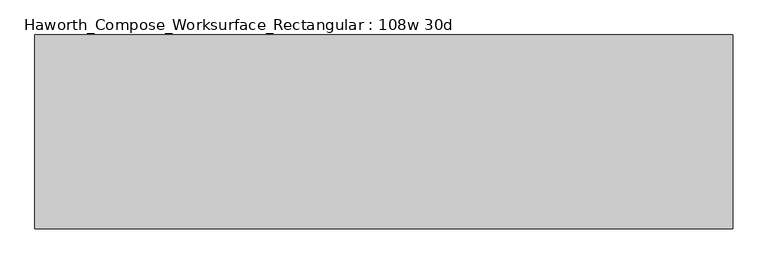
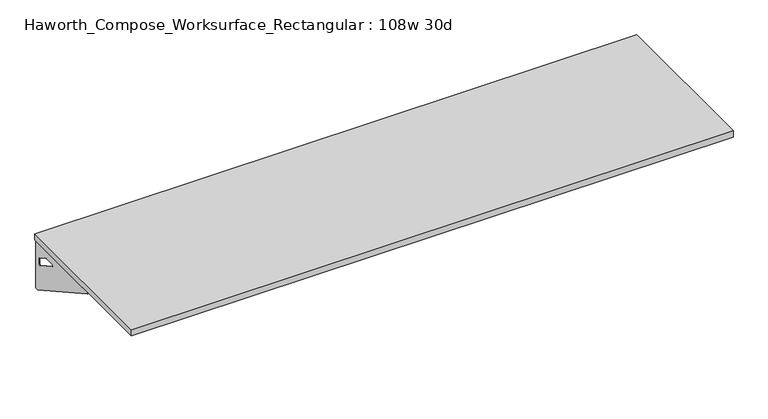
"""IFC4 building model written with IfcOpenShell, lengths in millimetres: furniture geometry, Haworth_Compose_Worksurface_Rectangular : 108w 30d."""

import ifcopenshell
import ifcopenshell.guid

model = None  # the IFC model being written
_history = None  # IfcOwnerHistory: only IFC2X3 demands one
_inside = {}  # id of a spatial element -> (the spatial element, [elements in it])
_under = {}  # id of a project, library or spatial element -> (it, [spatial elements below it])
_declared = {}  # id of a project -> (the project, [libraries it declares])
_typed = {}  # id of a type object -> (the type object, [elements of that type])
_made_of = {}  # id of a material, layer set ... -> (it, [elements and type objects made of it])


def new_model(schema):
    """Start an empty IFC model of exactly this schema.

    Asked for "IFC4X3", IfcOpenShell would pick the latest addendum, in which some entities
    have other attributes; the version numbers below select the first issue.
    IFC2X3 requires an IfcOwnerHistory on every rooted entity: one is made here for all.
    """
    global model, _history
    if schema == "IFC4X3":
        model = ifcopenshell.file(schema_version=(4, 3, 0, 0))
    else:
        model = ifcopenshell.file(schema=schema)
    _inside.clear()
    _under.clear()
    _declared.clear()
    _typed.clear()
    _made_of.clear()
    _history = None
    if model.schema == "IFC2X3":
        org = make("IfcOrganization", Name="unknown")
        user = make(
            "IfcPersonAndOrganization",
            ThePerson=make("IfcPerson", FamilyName="unknown"),
            TheOrganization=org,
        )
        app = make(
            "IfcApplication",
            ApplicationDeveloper=org,
            Version="unknown",
            ApplicationFullName="unknown",
            ApplicationIdentifier="unknown",
        )
        _history = make(
            "IfcOwnerHistory",
            OwningUser=user,
            OwningApplication=app,
            ChangeAction="ADDED",
            CreationDate=0,
        )
    return model


def make(cls, **values):
    """One entity of the class cls with the attributes given. An attribute that is None is left unset."""
    return model.create_entity(
        cls, **{name: value for name, value in values.items() if value is not None}
    )


def rooted(cls, **values):
    """An entity with a GlobalId (a new one), such as an element, a storey or a relation."""
    return make(cls, GlobalId=ifcopenshell.guid.new(), OwnerHistory=_history, **values)


def si_unit(unit_type, name, prefix=None):
    """IfcSIUnit, for example si_unit("LENGTHUNIT", "METRE", prefix="MILLI")."""
    return make("IfcSIUnit", UnitType=unit_type, Prefix=prefix, Name=name)


def assignment(units):
    """IfcUnitAssignment: the units of a project."""
    return None if units is None else make("IfcUnitAssignment", Units=units)


def point(xyz):
    """IfcCartesianPoint."""
    return None if xyz is None else make("IfcCartesianPoint", Coordinates=xyz)


def direction(xyz):
    """IfcDirection."""
    return None if xyz is None else make("IfcDirection", DirectionRatios=xyz)


def frame(location, z_axis=None, x_axis=None):
    """IfcAxis2Placement3D, a coordinate frame: its origin and axes. An axis left out is left unset."""
    return make(
        "IfcAxis2Placement3D",
        Location=point(location),
        Axis=direction(z_axis),
        RefDirection=direction(x_axis),
    )


def origin():
    """The frame at (0, 0, 0) with its axes left unset."""
    return frame((0.0, 0.0, 0.0))


def place(relative_to, where):
    """IfcLocalPlacement: puts the frame where relative to a parent placement (None: the world)."""
    return make(
        "IfcLocalPlacement", PlacementRelTo=relative_to, RelativePlacement=where
    )


def context(
    kind, dimensions, precision=None, world=None, true_north=None, identifier=None
):
    """IfcGeometricRepresentationContext, for example the 3D "Model" context."""
    return make(
        "IfcGeometricRepresentationContext",
        ContextIdentifier=identifier,
        ContextType=kind,
        CoordinateSpaceDimension=dimensions,
        Precision=precision,
        WorldCoordinateSystem=world,
        TrueNorth=true_north,
    )


def project(units=None, contexts=None):
    """IfcProject with its units and contexts."""
    return rooted(
        "IfcProject",
        Name="project",
        RepresentationContexts=contexts,
        UnitsInContext=assignment(units),
    )


def spatial(cls, under=None, at=None, **own):
    """A site, building, storey or space (cls), placed at a placement, below another one or the project."""
    s = rooted(cls, ObjectPlacement=at, **own)
    if under is not None:
        _under.setdefault(under.id(), (under, []))[1].append(s)
    return s


def polyline(points):
    """IfcPolyline through the points."""
    return make("IfcPolyline", Points=[point(p) for p in points])


def circle_curve(where, radius):
    """IfcCircle in the frame where."""
    return make("IfcCircle", Position=where, Radius=radius)


def outline(outer, holes=None, kind="AREA"):
    """IfcArbitraryClosedProfileDef: a profile drawn as a closed curve; with holes, ...WithVoids."""
    if holes is None:
        return make("IfcArbitraryClosedProfileDef", ProfileType=kind, OuterCurve=outer)
    return make(
        "IfcArbitraryProfileDefWithVoids",
        ProfileType=kind,
        OuterCurve=outer,
        InnerCurves=holes,
    )


def extrude(swept, where, along, depth):
    """IfcExtrudedAreaSolid: the profile swept, set in the frame where, extruded along a direction by depth."""
    return make(
        "IfcExtrudedAreaSolid",
        SweptArea=swept,
        Position=where,
        ExtrudedDirection=direction(along),
        Depth=depth,
    )


def shape(context_of_items, identifier, shape_type, items):
    """IfcShapeRepresentation: the items that make up one representation, for example the "Body"."""
    return make(
        "IfcShapeRepresentation",
        ContextOfItems=context_of_items,
        RepresentationIdentifier=identifier,
        RepresentationType=shape_type,
        Items=items,
    )


def source(mapping_origin, context_of_items, identifier, shape_type, items):
    """IfcRepresentationMap: a shape defined once, which mapped items show again and again."""
    return make(
        "IfcRepresentationMap",
        MappingOrigin=mapping_origin,
        MappedRepresentation=shape(context_of_items, identifier, shape_type, items),
    )


def transform(
    local_origin,
    x_axis=None,
    y_axis=None,
    z_axis=None,
    scale=None,
    scale2=None,
    scale3=None,
    uniform=True,
):
    """IfcCartesianTransformationOperator3D, or its non-uniform kind. x_axis, y_axis, z_axis: its Axis1, 2, 3."""
    if uniform:
        return make(
            "IfcCartesianTransformationOperator3D",
            Axis1=direction(x_axis),
            Axis2=direction(y_axis),
            LocalOrigin=point(local_origin),
            Scale=scale,
            Axis3=direction(z_axis),
        )
    return make(
        "IfcCartesianTransformationOperator3DnonUniform",
        Axis1=direction(x_axis),
        Axis2=direction(y_axis),
        LocalOrigin=point(local_origin),
        Scale=scale,
        Axis3=direction(z_axis),
        Scale2=scale2,
        Scale3=scale3,
    )


def mapped(mapping_source, mapping_target):
    """IfcMappedItem: shows the shape of a source again, moved by a transform."""
    return make(
        "IfcMappedItem", MappingSource=mapping_source, MappingTarget=mapping_target
    )


def made_of(thing, what):
    """Note that an element or type object is made of a material, layer set ...; save() writes the relation."""
    if what is not None:
        _made_of.setdefault(what.id(), (what, []))[1].append(thing)
    return thing


def element(
    cls,
    number,
    at=None,
    inside=None,
    cuts=None,
    type_object=None,
    material=None,
    context=None,
    identifier="Body",
    shape_type=None,
    held_by="IfcProductDefinitionShape",
    body=None,
    shapes=None,
    **own,
):
    """One element of the class cls, such as IfcWall. Its Tag is "e" and its number.

    at: its placement. inside: the storey or other place that contains it. cuts: it is an
    opening in that element (IfcRelVoidsElement). A single representation is given by context,
    identifier, shape_type and body (its items); several are given by shapes. held_by: the class
    of the entity that holds the representations. save() writes the other relations.
    """
    e = rooted(cls, Tag="e%d" % number, ObjectPlacement=at, **own)
    if body is not None:
        shapes = [shape(context, identifier, shape_type, body)]
    if shapes is not None:
        e.Representation = make(held_by, Representations=shapes)
    if inside is not None:
        _inside.setdefault(inside.id(), (inside, []))[1].append(e)
    if cuts is not None:
        rooted(
            "IfcRelVoidsElement", RelatingBuildingElement=cuts, RelatedOpeningElement=e
        )
    if type_object is not None:
        _typed.setdefault(type_object.id(), (type_object, []))[1].append(e)
    return made_of(e, material)


def aggregate(whole, parts):
    """IfcRelAggregates: a whole, such as a stair, and the parts it consists of."""
    return rooted("IfcRelAggregates", RelatingObject=whole, RelatedObjects=parts)


def save(model, path):
    """Write the relations noted so far, then the file.

    IfcRelAggregates (storeys below a building ...), IfcRelContainedInSpatialStructure (elements
    in a storey), IfcRelDefinesByType, IfcRelAssociatesMaterial and IfcRelDeclares: one each for
    every whole, place, type object, material and project.
    """
    for whole, parts in _under.values():
        aggregate(whole, parts)
    for where, things in _inside.values():
        rooted(
            "IfcRelContainedInSpatialStructure",
            RelatedElements=things,
            RelatingStructure=where,
        )
    for kind, things in _typed.values():
        rooted("IfcRelDefinesByType", RelatedObjects=things, RelatingType=kind)
    for what, things in _made_of.values():
        rooted("IfcRelAssociatesMaterial", RelatedObjects=things, RelatingMaterial=what)
    for by, libraries in _declared.values():
        rooted("IfcRelDeclares", RelatingContext=by, RelatedDefinitions=libraries)
    model.write(path)


def plane_surface(at):
    """IfcPlane: the flat surface through the origin of the frame at, square to its z axis."""
    return make("IfcPlane", Position=at)


def revolved_surface(curve, axis_point, axis_direction):
    """IfcSurfaceOfRevolution: the curve turned about the line through axis_point along axis_direction."""
    return make(
        "IfcSurfaceOfRevolution",
        SweptCurve=make("IfcArbitraryOpenProfileDef", ProfileType="CURVE", Curve=curve),
        AxisPosition=make("IfcAxis1Placement", Location=point(axis_point), Axis=direction(axis_direction)),
    )


def advanced_brep(points, edges, surfaces, faces):
    """IfcAdvancedBrep: a solid bounded by faces that lie on surfaces and meet in shared edges.

    An edge is (start, end): straight between two places in points (the first is 0);
    or (start, end, curve); or (start, end, curve, False) where it runs against its curve.
    A face is (place in surfaces, loops), or (place, loops, False) where it looks against
    its surface's normal. A loop lists edges by number (the first is 1), with a minus sign
    where the edge is run from its end to its start. The first loop is the outer one.
    """
    corners = [point(p) for p in points]
    vertices = [make("IfcVertexPoint", VertexGeometry=c) for c in corners]
    made = []
    for start, end, *more in edges:
        made.append(
            make(
                "IfcEdgeCurve",
                EdgeStart=vertices[start],
                EdgeEnd=vertices[end],
                EdgeGeometry=more[0] if more else make("IfcPolyline", Points=[corners[start], corners[end]]),
                SameSense=more[1] if len(more) > 1 else True,
            )
        )
    hull = []
    for where, loops, *sense in faces:
        bounds = []
        for j, loop in enumerate(loops):
            ring = [make("IfcOrientedEdge", EdgeElement=made[abs(k) - 1], Orientation=k > 0) for k in loop]
            bounds.append(
                make(
                    "IfcFaceOuterBound" if j == 0 else "IfcFaceBound",
                    Bound=make("IfcEdgeLoop", EdgeList=ring),
                    Orientation=True,
                )
            )
        hull.append(make("IfcAdvancedFace", Bounds=bounds, FaceSurface=surfaces[where], SameSense=sense[0] if sense else True))
    return make("IfcAdvancedBrep", Outer=make("IfcClosedShell", CfsFaces=hull))


def haworth_compose_worksurface_rectangular_108w_30d_0e5d9933(model_context):
    return source(origin(), model_context, "Body", "SolidModel", [
        advanced_brep(
        [(1366.04375, 381.0, 475.45625), (1366.04375, 365.125, 475.45625), (1366.04375, -25.4, 691.7192568), (1366.04375, -25.4, 704.05625), (1366.04375, 365.125, 704.05625), (1366.04375, 381.0, 704.05625), (1366.04375, 297.690072, 665.95625), (1366.04375, 254.0355284, 665.95625), (1366.04375, 251.3564235, 656.3705539), (1366.04375, 343.0776173, 605.5776439), (1366.04375, 352.425, 611.1756969), (1366.04375, 352.425, 634.6860246), (1366.04375, 350.6730055, 637.5242776), (1366.04375, 300.7663437, 665.1613425), (1368.425, 381.0, 475.45625), (1368.425, 381.0, 704.05625), (1368.425, 365.125, 704.05625), (1368.425, 365.125, 706.4375), (1368.425, -25.4, 706.4375), (1368.425, -25.4, 691.7192568), (1368.425, 365.125, 475.45625), (1368.425, 297.690072, 665.95625), (1368.425, 300.7663437, 665.1613425), (1368.425, 350.6730055, 637.5242776), (1368.425, 352.425, 634.6860246), (1368.425, 352.425, 611.1756969), (1368.425, 343.0776173, 605.5776439), (1368.425, 251.3564235, 656.3705539), (1368.425, 254.0355284, 665.95625), (1327.15, -25.4, 706.4375), (1327.15, -25.4, 704.05625), (1327.15, 365.125, 704.05625), (1327.15, 365.125, 706.4375)],
        [
            (0, 1),
            (1, 2),
            (2, 3),
            (3, 4),
            (4, 5),
            (5, 0),
            (6, 7),
            (7, 8, circle_curve(frame((1366.04375, 254.0355284, 660.7890106), z_axis=(1.0, 0.0, 0.0), x_axis=(0.0, -1.0, 0.0)), 5.1672394)),
            (8, 9),
            (9, 10, circle_curve(frame((1366.04375, 346.075, 611.1756969), z_axis=(1.0, 0.0, 0.0), x_axis=(0.0, -1.0, 0.0)), 6.35)),
            (10, 11),
            (11, 12, circle_curve(frame((1366.04375, 349.25, 634.6860246), z_axis=(1.0, 0.0, 0.0), x_axis=(0.0, -1.0, 0.0)), 3.175)),
            (12, 13),
            (13, 6, circle_curve(frame((1366.04375, 297.690072, 659.60625), z_axis=(1.0, 0.0, 0.0), x_axis=(0.0, -1.0, 0.0)), 6.35)),
            (14, 15),
            (15, 16),
            (16, 17),
            (17, 18),
            (18, 19),
            (19, 20),
            (20, 14),
            (21, 22, circle_curve(frame((1368.425, 297.690072, 659.60625), z_axis=(-1.0, 0.0, 0.0), x_axis=(0.0, -1.0, 0.0)), 6.35)),
            (22, 23),
            (23, 24, circle_curve(frame((1368.425, 349.25, 634.6860246), z_axis=(-1.0, 0.0, 0.0), x_axis=(0.0, -1.0, 0.0)), 3.175)),
            (24, 25),
            (25, 26, circle_curve(frame((1368.425, 346.075, 611.1756969), z_axis=(-1.0, 0.0, 0.0), x_axis=(0.0, -1.0, 0.0)), 6.35)),
            (26, 27),
            (27, 28, circle_curve(frame((1368.425, 254.0355284, 660.7890106), z_axis=(-1.0, 0.0, 0.0), x_axis=(0.0, -1.0, 0.0)), 5.1672394)),
            (28, 21),
            (4, 16),
            (15, 5),
            (14, 0),
            (20, 1),
            (19, 2),
            (18, 29),
            (29, 30),
            (30, 3),
            (6, 21),
            (28, 7),
            (9, 26),
            (25, 10),
            (24, 11),
            (23, 12),
            (27, 8),
            (31, 4),
            (30, 31),
            (32, 29),
            (17, 32),
            (31, 32),
            (22, 13),
        ],
        [
            plane_surface(frame((1366.04375, 381.0, 475.45625), z_axis=(-1.0, 0.0, 0.0), x_axis=(0.0, 1.0, 0.0))),
            plane_surface(frame((1368.425, 381.0, 475.45625), z_axis=(1.0, 0.0, 0.0), x_axis=(0.0, -1.0, 0.0))),
            plane_surface(frame((1368.425, -25.4, 704.05625), z_axis=(0.0, 0.0, 1.0), x_axis=(-1.0, 0.0, 0.0))),
            plane_surface(frame((1368.425, 381.0, 704.05625), z_axis=(0.0, 1.0, 0.0), x_axis=(-1.0, 0.0, 0.0))),
            plane_surface(frame((1368.425, 381.0, 475.45625), z_axis=(0.0, 0.0, -1.0), x_axis=(-1.0, 0.0, 0.0))),
            plane_surface(frame((1368.425, 365.125, 475.45625), z_axis=(0.0, -0.48445223513455843, -0.8748177135112952), x_axis=(-1.0, 0.0, 0.0))),
            plane_surface(frame((1368.425, -25.4, 691.7192568), z_axis=(0.0, -1.0, 0.0), x_axis=(-1.0, 0.0, 0.0))),
            plane_surface(frame((1368.425, 297.690072, 665.95625), z_axis=(0.0, 0.0, -1.0), x_axis=(-1.0, 0.0, 0.0))),
            revolved_surface(polyline([(1366.04375, 339.72499999999997, 611.1756969), (1368.425, 339.72499999999997, 611.1756969)]), (1368.425, 346.075, 611.1756969), (-1.0, 0.0, 0.0)),
            plane_surface(frame((1368.425, 352.425, 611.1756969), z_axis=(0.0, -1.0, 0.0), x_axis=(-1.0, 0.0, 0.0))),
            revolved_surface(polyline([(1366.04375, 346.075, 634.6860246), (1368.425, 346.075, 634.6860246)]), (1368.425, 349.25, 634.6860246), (-1.0, 0.0, 0.0)),
            revolved_surface(polyline([(1366.04375, 248.868289, 660.7890106), (1368.425, 248.868289, 660.7890106)]), (1368.425, 254.0355284, 660.7890106), (-1.0, 0.0, 0.0)),
            plane_surface(frame((1368.425, 365.125, 704.05625), z_axis=(0.0, 0.0, -1.0), x_axis=(-1.0, 0.0, 0.0))),
            plane_surface(frame((1368.425, 365.125, 706.4375), z_axis=(0.0, 0.0, 1.0), x_axis=(1.0, 0.0, 0.0))),
            plane_surface(frame((1327.15, 365.125, 706.4375), z_axis=(0.0, 1.0, 0.0), x_axis=(0.0, 0.0, -1.0))),
            plane_surface(frame((1327.15, -25.4, 706.4375), z_axis=(-1.0, 0.0, 0.0), x_axis=(0.0, 0.0, -1.0))),
            plane_surface(frame((1368.425, 251.3564235, 656.3705539), z_axis=(0.0, 0.4844522351345583, 0.8748177135112953), x_axis=(-1.0, 0.0, 0.0))),
            plane_surface(frame((1368.425, 350.6730055, 637.5242776), z_axis=(0.0, -0.4844522351345582, -0.8748177135112953), x_axis=(-1.0, 0.0, 0.0))),
            revolved_surface(polyline([(1366.04375, 291.34007199999996, 659.60625), (1368.425, 291.34007199999996, 659.60625)]), (1368.425, 297.690072, 659.60625), (-1.0, 0.0, 0.0)),
        ],
        [
            (0, [[1, 2, 3, 4, 5, 6], [7, 8, 9, 10, 11, 12, 13, 14]]),
            (1, [[15, 16, 17, 18, 19, 20, 21], [22, 23, 24, 25, 26, 27, 28, 29]]),
            (2, [[-5, 30, -16, 31]]),
            (3, [[-31, -15, 32, -6]]),
            (4, [[-32, -21, 33, -1]]),
            (5, [[-33, -20, 34, -2]]),
            (6, [[-34, -19, 35, 36, 37, -3]]),
            (7, [[38, -29, 39, -7]]),
            (8, [[40, -26, 41, -10]]),
            (9, [[-41, -25, 42, -11]]),
            (10, [[-42, -24, 43, -12]]),
            (11, [[-39, -28, 44, -8]]),
            (12, [[45, -4, -37, 46]]),
            (13, [[47, -35, -18, 48]]),
            (14, [[-17, -30, -45, 49, -48]]),
            (15, [[-36, -47, -49, -46]]),
            (16, [[-44, -27, -40, -9]]),
            (17, [[-43, -23, 50, -13]]),
            (18, [[-50, -22, -38, -14]]),
        ],
    ),
        advanced_brep(
        [(-1366.04375, 381.0, 475.45625), (-1366.04375, 381.0, 704.05625), (-1366.04375, 365.125, 704.05625), (-1366.04375, -25.4, 704.05625), (-1366.04375, -25.4, 691.7192568), (-1366.04375, 365.125, 475.45625), (-1366.04375, 297.690072, 665.95625), (-1366.04375, 300.7663437, 665.1613425), (-1366.04375, 350.6730055, 637.5242776), (-1366.04375, 352.425, 634.6860246), (-1366.04375, 352.425, 611.1756969), (-1366.04375, 343.0776173, 605.5776439), (-1366.04375, 251.3564235, 656.3705539), (-1366.04375, 254.0355284, 665.95625), (-1368.425, 381.0, 475.45625), (-1368.425, 365.125, 475.45625), (-1368.425, -25.4, 691.7192568), (-1368.425, -25.4, 706.4375), (-1368.425, 365.125, 706.4375), (-1368.425, 365.125, 704.05625), (-1368.425, 381.0, 704.05625), (-1368.425, 297.690072, 665.95625), (-1368.425, 254.0355284, 665.95625), (-1368.425, 251.3564235, 656.3705539), (-1368.425, 343.0776173, 605.5776439), (-1368.425, 352.425, 611.1756969), (-1368.425, 352.425, 634.6860246), (-1368.425, 350.6730055, 637.5242776), (-1368.425, 300.7663437, 665.1613425), (-1327.15, -25.4, 704.05625), (-1327.15, -25.4, 706.4375), (-1327.15, 365.125, 704.05625), (-1327.15, 365.125, 706.4375)],
        [
            (0, 1),
            (1, 2),
            (2, 3),
            (3, 4),
            (4, 5),
            (5, 0),
            (6, 7, circle_curve(frame((-1366.04375, 297.690072, 659.60625), z_axis=(-1.0, 0.0, 0.0), x_axis=(0.0, -1.0, 0.0)), 6.35)),
            (7, 8),
            (8, 9, circle_curve(frame((-1366.04375, 349.25, 634.6860246), z_axis=(-1.0, 0.0, 0.0), x_axis=(0.0, -1.0, 0.0)), 3.175)),
            (9, 10),
            (10, 11, circle_curve(frame((-1366.04375, 346.075, 611.1756969), z_axis=(-1.0, 0.0, 0.0), x_axis=(0.0, -1.0, 0.0)), 6.35)),
            (11, 12),
            (12, 13, circle_curve(frame((-1366.04375, 254.0355284, 660.7890106), z_axis=(-1.0, 0.0, 0.0), x_axis=(0.0, -1.0, 0.0)), 5.1672394)),
            (13, 6),
            (14, 15),
            (15, 16),
            (16, 17),
            (17, 18),
            (18, 19),
            (19, 20),
            (20, 14),
            (21, 22),
            (22, 23, circle_curve(frame((-1368.425, 254.0355284, 660.7890106), z_axis=(1.0, 0.0, 0.0), x_axis=(0.0, -1.0, 0.0)), 5.1672394)),
            (23, 24),
            (24, 25, circle_curve(frame((-1368.425, 346.075, 611.1756969), z_axis=(1.0, 0.0, 0.0), x_axis=(0.0, -1.0, 0.0)), 6.35)),
            (25, 26),
            (26, 27, circle_curve(frame((-1368.425, 349.25, 634.6860246), z_axis=(1.0, 0.0, 0.0), x_axis=(0.0, -1.0, 0.0)), 3.175)),
            (27, 28),
            (28, 21, circle_curve(frame((-1368.425, 297.690072, 659.60625), z_axis=(1.0, 0.0, 0.0), x_axis=(0.0, -1.0, 0.0)), 6.35)),
            (1, 20),
            (19, 2),
            (0, 14),
            (5, 15),
            (4, 16),
            (3, 29),
            (29, 30),
            (30, 17),
            (13, 22),
            (21, 6),
            (10, 25),
            (24, 11),
            (9, 26),
            (8, 27),
            (12, 23),
            (31, 29),
            (2, 31),
            (32, 18),
            (30, 32),
            (32, 31),
            (7, 28),
        ],
        [
            plane_surface(frame((-1366.04375, 381.0, 475.45625), z_axis=(1.0, 0.0, 0.0), x_axis=(0.0, 1.0, 0.0))),
            plane_surface(frame((-1368.425, 381.0, 475.45625), z_axis=(-1.0, 0.0, 0.0), x_axis=(0.0, -1.0, 0.0))),
            plane_surface(frame((-1368.425, -25.4, 704.05625), z_axis=(0.0, 0.0, 1.0), x_axis=(1.0, 0.0, 0.0))),
            plane_surface(frame((-1368.425, 381.0, 704.05625), z_axis=(0.0, 1.0, 0.0), x_axis=(1.0, 0.0, 0.0))),
            plane_surface(frame((-1368.425, 381.0, 475.45625), z_axis=(0.0, 0.0, -1.0), x_axis=(1.0, 0.0, 0.0))),
            plane_surface(frame((-1368.425, 365.125, 475.45625), z_axis=(0.0, -0.48445223513455843, -0.8748177135112952), x_axis=(1.0, 0.0, 0.0))),
            plane_surface(frame((-1368.425, -25.4, 691.7192568), z_axis=(0.0, -1.0, 0.0), x_axis=(1.0, 0.0, 0.0))),
            plane_surface(frame((-1368.425, 297.690072, 665.95625), z_axis=(0.0, 0.0, -1.0), x_axis=(1.0, 0.0, 0.0))),
            revolved_surface(polyline([(-1366.04375, 339.72499999999997, 611.1756969), (-1368.425, 339.72499999999997, 611.1756969)]), (-1368.425, 346.075, 611.1756969), (1.0, 0.0, 0.0)),
            plane_surface(frame((-1368.425, 352.425, 611.1756969), z_axis=(0.0, -1.0, 0.0), x_axis=(1.0, 0.0, 0.0))),
            revolved_surface(polyline([(-1366.04375, 346.075, 634.6860246), (-1368.425, 346.075, 634.6860246)]), (-1368.425, 349.25, 634.6860246), (1.0, 0.0, 0.0)),
            revolved_surface(polyline([(-1366.04375, 248.868289, 660.7890106), (-1368.425, 248.868289, 660.7890106)]), (-1368.425, 254.0355284, 660.7890106), (1.0, 0.0, 0.0)),
            plane_surface(frame((-1368.425, 365.125, 704.05625), z_axis=(0.0, 0.0, -1.0), x_axis=(1.0, 0.0, 0.0))),
            plane_surface(frame((-1368.425, 365.125, 706.4375), z_axis=(0.0, 0.0, 1.0), x_axis=(-1.0, 0.0, 0.0))),
            plane_surface(frame((-1327.15, 365.125, 706.4375), z_axis=(0.0, 1.0, 0.0), x_axis=(0.0, 0.0, -1.0))),
            plane_surface(frame((-1327.15, -25.4, 706.4375), z_axis=(1.0, 0.0, 0.0), x_axis=(0.0, 0.0, -1.0))),
            plane_surface(frame((-1368.425, 251.3564235, 656.3705539), z_axis=(0.0, 0.4844522351345583, 0.8748177135112953), x_axis=(1.0, 0.0, 0.0))),
            plane_surface(frame((-1368.425, 350.6730055, 637.5242776), z_axis=(0.0, -0.4844522351345582, -0.8748177135112953), x_axis=(1.0, 0.0, 0.0))),
            revolved_surface(polyline([(-1366.04375, 291.34007199999996, 659.60625), (-1368.425, 291.34007199999996, 659.60625)]), (-1368.425, 297.690072, 659.60625), (1.0, 0.0, 0.0)),
        ],
        [
            (0, [[1, 2, 3, 4, 5, 6], [7, 8, 9, 10, 11, 12, 13, 14]]),
            (1, [[15, 16, 17, 18, 19, 20, 21], [22, 23, 24, 25, 26, 27, 28, 29]]),
            (2, [[30, -20, 31, -2]]),
            (3, [[-1, 32, -21, -30]]),
            (4, [[-6, 33, -15, -32]]),
            (5, [[-5, 34, -16, -33]]),
            (6, [[-4, 35, 36, 37, -17, -34]]),
            (7, [[-14, 38, -22, 39]]),
            (8, [[-11, 40, -25, 41]]),
            (9, [[-10, 42, -26, -40]]),
            (10, [[-9, 43, -27, -42]]),
            (11, [[-13, 44, -23, -38]]),
            (12, [[45, -35, -3, 46]]),
            (13, [[47, -18, -37, 48]]),
            (14, [[-47, 49, -46, -31, -19]]),
            (15, [[-45, -49, -48, -36]]),
            (16, [[-12, -41, -24, -44]]),
            (17, [[-8, 50, -28, -43]]),
            (18, [[-7, -39, -29, -50]]),
        ],
    ),
        extrude(outline(polyline([(1371.6, 381.0), (1371.6, -381.0), (-1371.6, -381.0), (-1371.6, 381.0), (1371.6, 381.0)])), frame((0.0, 0.0, 706.4375), z_axis=(0.0, 0.0, 1.0), x_axis=(1.0, 0.0, 0.0)), (0.0, 0.0, 1.0), 30.1625),
    ])


if __name__ == "__main__":
    model = new_model("IFC4")
    model_context = context("Model", 3, world=origin())
    ifc_project = project(units=[si_unit("LENGTHUNIT", "METRE", prefix="MILLI")], contexts=[model_context])
    site = spatial("IfcSite", under=ifc_project)
    building = spatial("IfcBuilding", under=site)
    placement = place(None, origin())
    haworth_compose_worksurface_rectangular_108w_30d_shape = haworth_compose_worksurface_rectangular_108w_30d_0e5d9933(model_context)
    element("IfcFurniture", 1, ObjectType="Haworth_Compose_Worksurface_Rectangular : 108w 30d", at=placement, inside=building, context=model_context, shape_type="MappedRepresentation", body=[
        mapped(haworth_compose_worksurface_rectangular_108w_30d_shape, transform((0.0, 0.0, 0.0), x_axis=(1.0, 0.0, 0.0), y_axis=(0.0, 1.0, 0.0), z_axis=(0.0, 0.0, 1.0))),
    ])
    save(model, "model.ifc")
